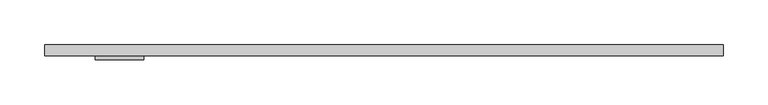
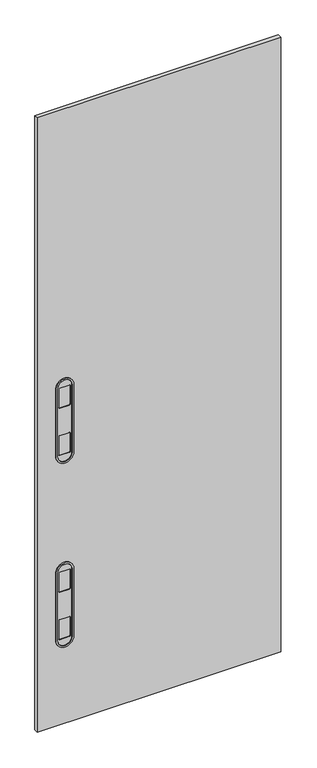
"""IFC4 building model written with IfcOpenShell, lengths in millimetres: furniture geometry."""

from ifc_helpers import new_model, si_unit, point, frame, frame_2d, origin, place, context, project, spatial, polyline, circle_curve, trimmed, segment, composite_curve, outline, extrude, source, transform, mapped, element, save


def furniture_25275947(model_context):
    return source(origin(), model_context, "Body", "SweptSolid", [
        extrude(outline(polyline([(762.0, -50.8000015), (0.0, -50.8000015), (0.0, -38.1), (762.0, -38.1), (762.0, -50.8000015)])), frame((0.0, 0.0, 139.700003), z_axis=(0.0, 0.0, 1.0), x_axis=(1.0, 0.0, 0.0)), (0.0, 0.0, 1.0), 2031.999997),
        extrude(outline(composite_curve([segment(polyline([(1031.0794368, 106.5021971), (1255.1144752, 106.5021971)]), True, "CONTINUOUS"), segment(trimmed(circle_curve(frame_2d((1255.1144752, 84.3279991)), 22.1741981), [point((1255.1144752, 106.5021971))], [point((1255.1144752, 62.153801))], False, "CARTESIAN"), True, "CONTINUOUS"), segment(polyline([(1255.1144752, 62.153801), (1031.0794368, 62.153801)]), True, "CONTINUOUS"), segment(trimmed(circle_curve(frame_2d((1031.0794368, 84.3279991)), 22.1741981), [point((1031.0794368, 62.153801))], [point((1031.0794368, 106.5021971))], False, "CARTESIAN"), True, "CONTINUOUS")], self_intersect=False), holes=[composite_curve([segment(trimmed(circle_curve(frame_2d((1095.25613, 98.9330054)), 2.54), [point((1097.79613, 98.9330054))], [point((1095.25613, 101.4730054))], True, "CARTESIAN"), True, "CONTINUOUS"), segment(polyline([(1095.25613, 101.4730054), (1034.7140817, 101.4730054)]), True, "CONTINUOUS"), segment(trimmed(circle_curve(frame_2d((1034.7140817, 98.9330054)), 2.54), [point((1034.7140817, 101.4730054))], [point((1032.1740817, 98.9330054))], True, "CARTESIAN"), True, "CONTINUOUS"), segment(polyline([(1032.1740817, 98.9330054), (1032.1740817, 69.7230018)]), True, "CONTINUOUS"), segment(trimmed(circle_curve(frame_2d((1034.7140817, 69.7230018)), 2.54), [point((1032.1740817, 69.7230018))], [point((1034.7140817, 67.1830018))], True, "CARTESIAN"), True, "CONTINUOUS"), segment(polyline([(1034.7140817, 67.1830018), (1095.25613, 67.1830018)]), True, "CONTINUOUS"), segment(trimmed(circle_curve(frame_2d((1095.25613, 69.7230018)), 2.54), [point((1095.25613, 67.1830018))], [point((1097.79613, 69.7230018))], True, "CARTESIAN"), True, "CONTINUOUS"), segment(polyline([(1097.79613, 69.7230018), (1097.79613, 98.9330054)]), True, "CONTINUOUS")], self_intersect=False), composite_curve([segment(trimmed(circle_curve(frame_2d((1251.7940315, 98.9330054)), 2.54), [point((1254.3340315, 98.9330054))], [point((1251.7940315, 101.4730054))], True, "CARTESIAN"), True, "CONTINUOUS"), segment(polyline([(1251.7940315, 101.4730054), (1191.2519832, 101.4730054)]), True, "CONTINUOUS"), segment(trimmed(circle_curve(frame_2d((1191.2519832, 98.9330054)), 2.54), [point((1191.2519832, 101.4730054))], [point((1188.7119832, 98.9330054))], True, "CARTESIAN"), True, "CONTINUOUS"), segment(polyline([(1188.7119832, 98.9330054), (1188.7119832, 69.7230018)]), True, "CONTINUOUS"), segment(trimmed(circle_curve(frame_2d((1191.2519832, 69.7230018)), 2.54), [point((1188.7119832, 69.7230018))], [point((1191.2519832, 67.1830018))], True, "CARTESIAN"), True, "CONTINUOUS"), segment(polyline([(1191.2519832, 67.1830018), (1251.7940315, 67.1830018)]), True, "CONTINUOUS"), segment(trimmed(circle_curve(frame_2d((1251.7940315, 69.7230018)), 2.54), [point((1251.7940315, 67.1830018))], [point((1254.3340315, 69.7230018))], True, "CARTESIAN"), True, "CONTINUOUS"), segment(polyline([(1254.3340315, 69.7230018), (1254.3340315, 98.9330054)]), True, "CONTINUOUS")], self_intersect=False)]), frame((0.0, -52.8320015, 0.0), z_axis=(0.0, 1.0, 0.0), x_axis=(0.0, 0.0, 1.0)), (0.0, 0.0, 1.0), 2.032),
        extrude(outline(composite_curve([segment(trimmed(circle_curve(frame_2d((1255.1144752, 84.3279991)), 27.2541981), [point((1255.1144752, 111.5821971))], [point((1255.1144752, 57.073801))], False, "CARTESIAN"), True, "CONTINUOUS"), segment(polyline([(1255.1144752, 57.073801), (1031.0794368, 57.073801)]), True, "CONTINUOUS"), segment(trimmed(circle_curve(frame_2d((1031.0794368, 84.3279991)), 27.2541981), [point((1031.0794368, 57.073801))], [point((1031.0794368, 111.5821971))], False, "CARTESIAN"), True, "CONTINUOUS"), segment(polyline([(1031.0794368, 111.5821971), (1255.1144752, 111.5821971)]), True, "CONTINUOUS")], self_intersect=False), holes=[composite_curve([segment(polyline([(1255.1144752, 106.5021971), (1031.0794368, 106.5021971)]), True, "CONTINUOUS"), segment(trimmed(circle_curve(frame_2d((1031.0794368, 84.3279991)), 22.1741981), [point((1031.0794368, 106.5021971))], [point((1031.0794368, 62.153801))], True, "CARTESIAN"), True, "CONTINUOUS"), segment(polyline([(1031.0794368, 62.153801), (1255.1144752, 62.153801)]), True, "CONTINUOUS"), segment(trimmed(circle_curve(frame_2d((1255.1144752, 84.3279991)), 22.1741981), [point((1255.1144752, 62.153801))], [point((1255.1144752, 106.5021971))], True, "CARTESIAN"), True, "CONTINUOUS")], self_intersect=False)]), frame((0.0, -55.1180015, 0.0), z_axis=(0.0, 1.0, 0.0), x_axis=(0.0, 0.0, 1.0)), (0.0, 0.0, 1.0), 4.318),
        extrude(outline(composite_curve([segment(polyline([(422.2598556, 106.5021971), (646.294894, 106.5021971)]), True, "CONTINUOUS"), segment(trimmed(circle_curve(frame_2d((646.294894, 84.3279991)), 22.1741981), [point((646.294894, 106.5021971))], [point((646.294894, 62.153801))], False, "CARTESIAN"), True, "CONTINUOUS"), segment(polyline([(646.294894, 62.153801), (422.2598556, 62.153801)]), True, "CONTINUOUS"), segment(trimmed(circle_curve(frame_2d((422.2598556, 84.3279991)), 22.1741981), [point((422.2598556, 62.153801))], [point((422.2598556, 106.5021971))], False, "CARTESIAN"), True, "CONTINUOUS")], self_intersect=False), holes=[composite_curve([segment(trimmed(circle_curve(frame_2d((486.4365488, 98.9330054)), 2.54), [point((488.9765488, 98.9330054))], [point((486.4365488, 101.4730054))], True, "CARTESIAN"), True, "CONTINUOUS"), segment(polyline([(486.4365488, 101.4730054), (425.8945005, 101.4730054)]), True, "CONTINUOUS"), segment(trimmed(circle_curve(frame_2d((425.8945005, 98.9330054)), 2.54), [point((425.8945005, 101.4730054))], [point((423.3545005, 98.9330054))], True, "CARTESIAN"), True, "CONTINUOUS"), segment(polyline([(423.3545005, 98.9330054), (423.3545005, 69.7230018)]), True, "CONTINUOUS"), segment(trimmed(circle_curve(frame_2d((425.8945005, 69.7230018)), 2.54), [point((423.3545005, 69.7230018))], [point((425.8945005, 67.1830018))], True, "CARTESIAN"), True, "CONTINUOUS"), segment(polyline([(425.8945005, 67.1830018), (486.4365488, 67.1830018)]), True, "CONTINUOUS"), segment(trimmed(circle_curve(frame_2d((486.4365488, 69.7230018)), 2.54), [point((486.4365488, 67.1830018))], [point((488.9765488, 69.7230018))], True, "CARTESIAN"), True, "CONTINUOUS"), segment(polyline([(488.9765488, 69.7230018), (488.9765488, 98.9330054)]), True, "CONTINUOUS")], self_intersect=False), composite_curve([segment(trimmed(circle_curve(frame_2d((642.9744503, 98.9330054)), 2.54), [point((645.5144503, 98.9330054))], [point((642.9744503, 101.4730054))], True, "CARTESIAN"), True, "CONTINUOUS"), segment(polyline([(642.9744503, 101.4730054), (582.432402, 101.4730054)]), True, "CONTINUOUS"), segment(trimmed(circle_curve(frame_2d((582.432402, 98.9330054)), 2.54), [point((582.432402, 101.4730054))], [point((579.892402, 98.9330054))], True, "CARTESIAN"), True, "CONTINUOUS"), segment(polyline([(579.892402, 98.9330054), (579.892402, 69.7230018)]), True, "CONTINUOUS"), segment(trimmed(circle_curve(frame_2d((582.432402, 69.7230018)), 2.54), [point((579.892402, 69.7230018))], [point((582.432402, 67.1830018))], True, "CARTESIAN"), True, "CONTINUOUS"), segment(polyline([(582.432402, 67.1830018), (642.9744503, 67.1830018)]), True, "CONTINUOUS"), segment(trimmed(circle_curve(frame_2d((642.9744503, 69.7230018)), 2.54), [point((642.9744503, 67.1830018))], [point((645.5144503, 69.7230018))], True, "CARTESIAN"), True, "CONTINUOUS"), segment(polyline([(645.5144503, 69.7230018), (645.5144503, 98.9330054)]), True, "CONTINUOUS")], self_intersect=False)]), frame((0.0, -52.8320015, 0.0), z_axis=(0.0, 1.0, 0.0), x_axis=(0.0, 0.0, 1.0)), (0.0, 0.0, 1.0), 2.032),
        extrude(outline(composite_curve([segment(trimmed(circle_curve(frame_2d((646.294894, 84.3279991)), 27.2541981), [point((646.294894, 111.5821971))], [point((646.294894, 57.073801))], False, "CARTESIAN"), True, "CONTINUOUS"), segment(polyline([(646.294894, 57.073801), (422.2598556, 57.073801)]), True, "CONTINUOUS"), segment(trimmed(circle_curve(frame_2d((422.2598556, 84.3279991)), 27.2541981), [point((422.2598556, 57.073801))], [point((422.2598556, 111.5821971))], False, "CARTESIAN"), True, "CONTINUOUS"), segment(polyline([(422.2598556, 111.5821971), (646.294894, 111.5821971)]), True, "CONTINUOUS")], self_intersect=False), holes=[composite_curve([segment(polyline([(646.294894, 106.5021971), (422.2598556, 106.5021971)]), True, "CONTINUOUS"), segment(trimmed(circle_curve(frame_2d((422.2598556, 84.3279991)), 22.1741981), [point((422.2598556, 106.5021971))], [point((422.2598556, 62.153801))], True, "CARTESIAN"), True, "CONTINUOUS"), segment(polyline([(422.2598556, 62.153801), (646.294894, 62.153801)]), True, "CONTINUOUS"), segment(trimmed(circle_curve(frame_2d((646.294894, 84.3279991)), 22.1741981), [point((646.294894, 62.153801))], [point((646.294894, 106.5021971))], True, "CARTESIAN"), True, "CONTINUOUS")], self_intersect=False)]), frame((0.0, -55.1180015, 0.0), z_axis=(0.0, 1.0, 0.0), x_axis=(0.0, 0.0, 1.0)), (0.0, 0.0, 1.0), 4.318),
    ])


if __name__ == "__main__":
    model = new_model("IFC4")
    model_context = context("Model", 3, world=origin())
    ifc_project = project(units=[si_unit("LENGTHUNIT", "METRE", prefix="MILLI")], contexts=[model_context])
    site = spatial("IfcSite", under=ifc_project)
    building = spatial("IfcBuilding", under=site)
    placement = place(None, origin())
    furniture_shape = furniture_25275947(model_context)
    element("IfcFurniture", 1, at=placement, inside=building, context=model_context, shape_type="MappedRepresentation", body=[
        mapped(furniture_shape, transform((0.0, 0.0, 0.0), x_axis=(1.0, 0.0, 0.0), y_axis=(0.0, 1.0, 0.0), z_axis=(0.0, 0.0, 1.0))),
    ])
    save(model, "model.ifc")
